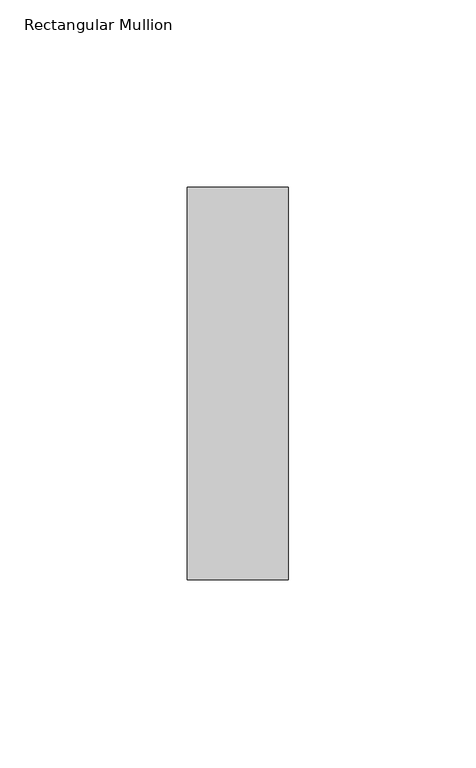
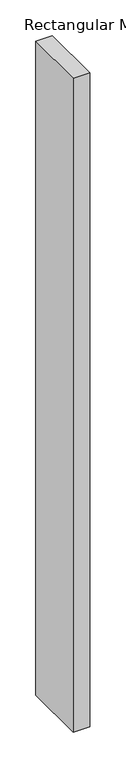
"""IFC4 building model written with IfcOpenShell, lengths in millimetres: member geometry, Rectangular Mullion."""

from ifc_helpers import new_model, si_unit, frame, origin, place, context, project, spatial, polyline, outline, extrude, source, transform, mapped, element, save


def rectangular_mullion_41533b6a(model_context):
    return source(origin(), model_context, "Body", "SweptSolid", [
        extrude(outline(polyline([(0.0, 52.3975), (0.0, -52.3975), (-27.0, -52.3975), (-27.0, 52.3975), (0.0, 52.3975)])), frame((0.0, 0.0, -1118.0), z_axis=(0.0, 0.0, 1.0), x_axis=(1.0, 0.0, 0.0)), (0.0, 0.0, 1.0), 1118.0),
    ])


if __name__ == "__main__":
    model = new_model("IFC4")
    model_context = context("Model", 3, world=origin())
    ifc_project = project(units=[si_unit("LENGTHUNIT", "METRE", prefix="MILLI")], contexts=[model_context])
    site = spatial("IfcSite", under=ifc_project)
    building = spatial("IfcBuilding", under=site)
    placement = place(None, origin())
    rectangular_mullion_shape = rectangular_mullion_41533b6a(model_context)
    element("IfcMember", 1, ObjectType="Rectangular Mullion", at=placement, inside=building, context=model_context, shape_type="MappedRepresentation", body=[
        mapped(rectangular_mullion_shape, transform((0.0, 0.0, 0.0), x_axis=(1.0, 0.0, 0.0), y_axis=(0.0, 1.0, 0.0), z_axis=(0.0, 0.0, 1.0))),
    ])
    save(model, "model.ifc")
